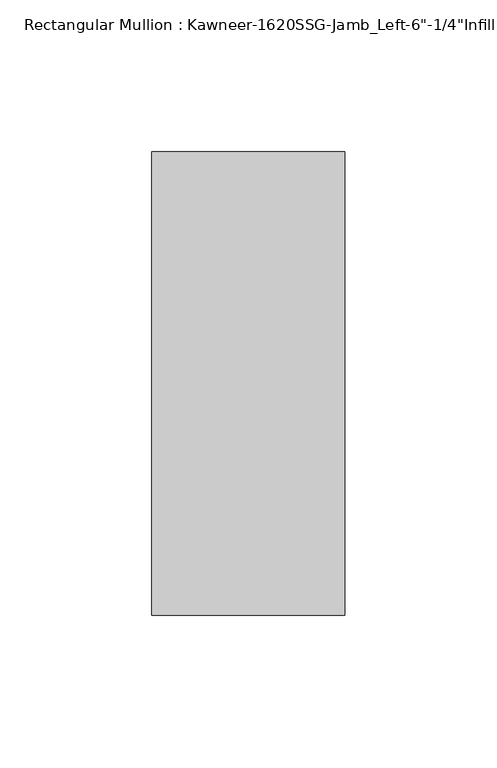
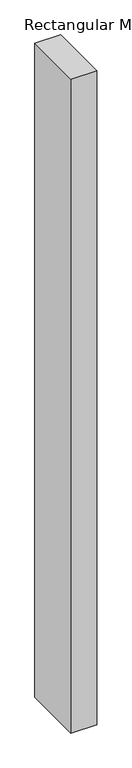
"""IFC4 building model written with IfcOpenShell, lengths in millimetres: member geometry."""

from ifc_helpers import new_model, si_unit, frame, origin, place, context, project, spatial, polyline, outline, extrude, source, transform, mapped, element, save


def member_f2252065(model_context):
    return source(origin(), model_context, "Body", "SweptSolid", [
        extrude(outline(polyline([(22.225, 28.575), (22.225, -123.825), (-41.275, -123.825), (-41.275, 28.575), (22.225, 28.575)])), frame((0.0, 0.0, -1695.45), z_axis=(0.0, 0.0, 1.0), x_axis=(1.0, 0.0, 0.0)), (0.0, 0.0, 1.0), 1695.45),
    ])


if __name__ == "__main__":
    model = new_model("IFC4")
    model_context = context("Model", 3, world=origin())
    ifc_project = project(units=[si_unit("LENGTHUNIT", "METRE", prefix="MILLI")], contexts=[model_context])
    site = spatial("IfcSite", under=ifc_project)
    building = spatial("IfcBuilding", under=site)
    placement = place(None, origin())
    member_shape = member_f2252065(model_context)
    element("IfcMember", 1, ObjectType="Rectangular Mullion : Kawneer-1620SSG-Jamb_Left-6\"-1/4\"Infill", at=placement, inside=building, context=model_context, shape_type="MappedRepresentation", body=[
        mapped(member_shape, transform((0.0, 0.0, 0.0), x_axis=(1.0, 0.0, 0.0), y_axis=(0.0, 1.0, 0.0), z_axis=(0.0, 0.0, 1.0))),
    ])
    save(model, "model.ifc")
